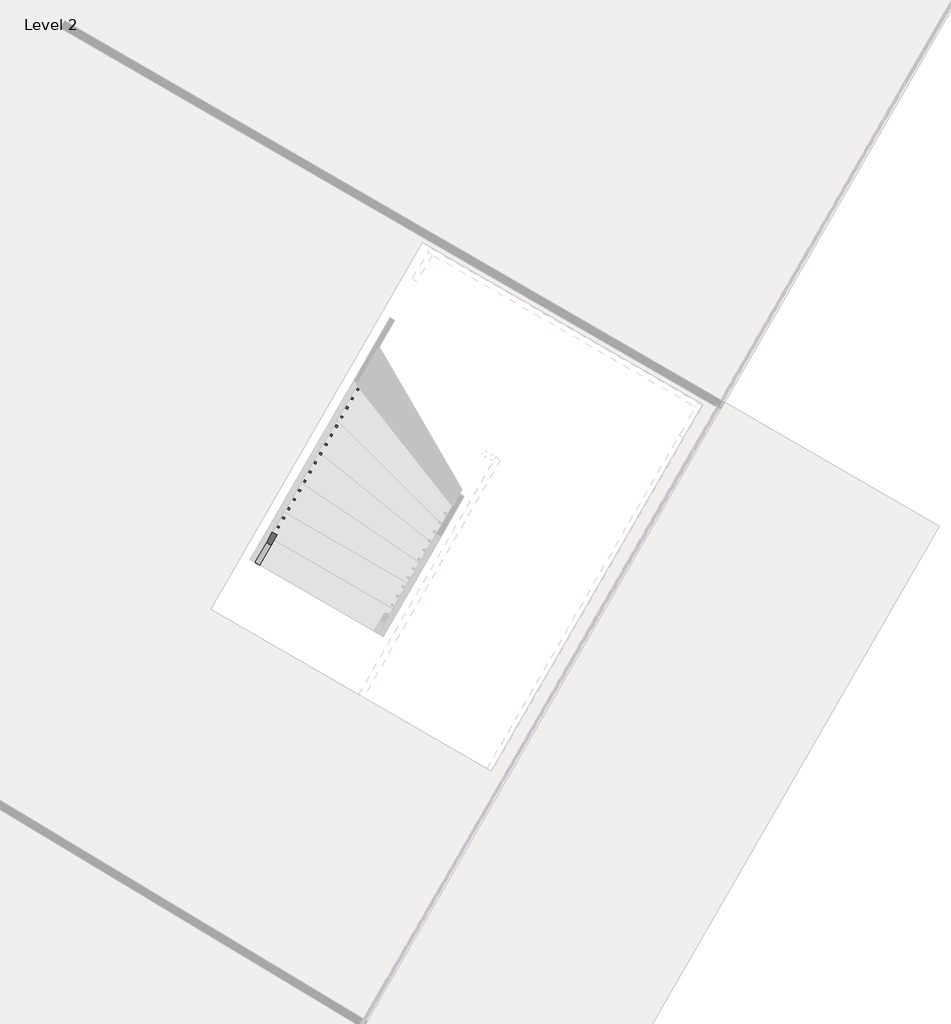
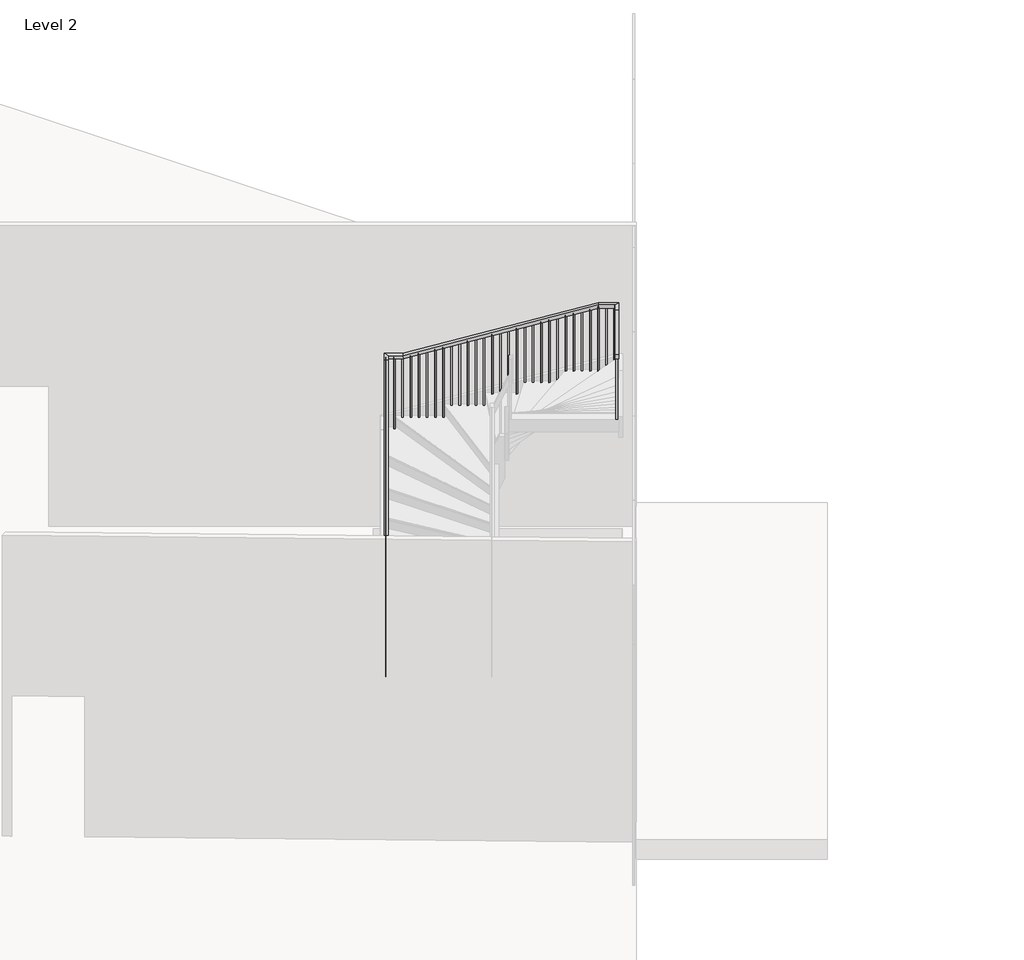
# One storey, part 3 of 5: 1 railing.
"""IFC4 building model written with IfcOpenShell, lengths in millimetres."""

from ifc_helpers import new_model, si_unit, frame, origin, place, context, project, spatial, polyline, outline, extrude, faceted_brep, element, save

model = new_model("IFC4")

# Units and contexts
model_context = context("Model", 3, world=origin())
ifc_project = project(units=[si_unit("LENGTHUNIT", "METRE", prefix="MILLI")], contexts=[model_context])

# Site, building, storey
site = spatial("IfcSite", under=ifc_project)
building = spatial("IfcBuilding", under=site)
storey = spatial("IfcBuildingStorey", under=building, Name="Level 2", Elevation=7620.0)

# Railing
placement = place(None, origin())
element("IfcRailing", 1, ObjectType="Handrail - Rectangular", at=placement, inside=storey, context=model_context, shape_type="SolidModel", body=[
    faceted_brep([(54295.3554538, -117408.8419097, 8710.2461538), (54295.3554538, -117408.8419097, 8653.4945841), (54339.3538093, -117434.2345211, 8653.4945841), (54339.3538093, -117434.2345211, 8710.2461538), (55919.4528111, -114594.7314645, 10328.4336285), (55925.426117, -114584.3813815, 10277.6336285), (55969.4244725, -114609.7739929, 10277.6336285), (55963.4511666, -114620.1240759, 10328.4336285), (55997.1584277, -114460.0891745, 10328.4336285), (55997.1584277, -114460.0891745, 10277.6336285), (56015.7641719, -114529.4801414, 10277.6336285), (56015.7641719, -114529.4801414, 10328.4336285), (56196.5956379, -114575.1896485, 10328.4336285), (56203.3854407, -114579.1082227, 10277.6336285), (56177.9928293, -114623.1065782, 10277.6336285), (56171.2030265, -114619.188004, 10328.4336285), (58305.5331789, -115792.3131245, 11098.2893522), (58312.3229817, -115796.2316988, 11047.4893522), (58286.9303703, -115840.2300543, 11047.4893522), (58280.1405675, -115836.31148, 11098.2893522), (58525.9750192, -115919.5359245, 11098.2893522), (58525.9750192, -115919.5359245, 11047.4893522), (58456.5840523, -115938.1416686, 11047.4893522), (58456.5840523, -115938.1416686, 11098.2893522), (58443.9888374, -116061.5952471, 11098.2893522), (58437.7539841, -116072.3985194, 11047.4893522), (58393.7556285, -116047.005908, 11047.4893522), (58399.9904819, -116036.2026358, 11098.2893522), (56523.2126938, -119389.7677759, 13106.4), (56479.2143382, -119364.3751645, 13106.4), (56479.2143382, -119364.3751645, 13049.0816582), (56523.2126938, -119389.7677759, 13049.0816582)], [[[0, 1, 2, 3]], [[1, 0, 4, 5]], [[2, 1, 5, 6]], [[3, 2, 6, 7]], [[0, 3, 7, 4]], [[5, 4, 8, 9]], [[6, 5, 9, 10]], [[7, 6, 10, 11]], [[4, 7, 11, 8]], [[9, 8, 12, 13]], [[10, 9, 13, 14]], [[11, 10, 14, 15]], [[8, 11, 15, 12]], [[13, 12, 16, 17]], [[14, 13, 17, 18]], [[15, 14, 18, 19]], [[12, 15, 19, 16]], [[17, 16, 20, 21]], [[18, 17, 21, 22]], [[19, 18, 22, 23]], [[16, 19, 23, 20]], [[21, 20, 24, 25]], [[22, 21, 25, 26]], [[23, 22, 26, 27]], [[20, 23, 27, 24]], [[28, 29, 30, 31]], [[25, 24, 28, 31]], [[26, 25, 31, 30]], [[27, 26, 30, 29]], [[24, 27, 29, 28]]]),
    extrude(outline(polyline([(223.6224054, 19.05), (1251.6561526, 19.05), (1251.6561526, 0.0), (233.5775947, 0.0), (223.6224054, 19.05)])), frame((56523.6666546, -119357.2219492, 13267.8099988), z_axis=(-0.8661093604012479, 0.4998545546709976, 0.0), x_axis=(0.0, 0.0, -1.0)), (0.0, 0.0, 1.0), 19.05),
    extrude(outline(polyline([(223.6224054, 19.05), (1198.56181, 19.05), (1198.56181, 0.0), (233.5775946, 0.0), (223.6224054, 19.05)])), frame((56574.4518773, -119269.2252382, 13214.7156562), z_axis=(-0.8661093604012479, 0.4998545546709976, 0.0), x_axis=(0.0, 0.0, -1.0)), (0.0, 0.0, 1.0), 19.05),
    extrude(outline(polyline([(223.6224054, 19.0500001), (1145.4674674, 19.0500001), (1145.4674674, 0.0), (233.5775946, 0.0), (223.6224054, 19.0500001)])), frame((56625.2371001, -119181.2285271, 13161.6213136), z_axis=(-0.8661093604012479, 0.4998545546709976, 0.0), x_axis=(0.0, 0.0, -1.0)), (0.0, 0.0, 1.0), 19.05),
    extrude(outline(polyline([(223.6224053, 19.05), (1268.2192787, 19.05), (1268.2192787, 0.0), (233.5775946, 0.0), (223.6224053, 19.05)])), frame((56676.0223229, -119093.2318161, 13108.526971), z_axis=(-0.8661093604012479, 0.4998545546709976, 0.0), x_axis=(0.0, 0.0, -1.0)), (0.0, 0.0, 1.0), 19.05),
    extrude(outline(polyline([(223.6224054, 19.05), (1215.1249362, 19.05), (1215.1249362, 0.0), (233.5775946, 0.0), (223.6224054, 19.05)])), frame((56726.8075456, -119005.2351051, 13055.4326285), z_axis=(-0.8661093604012479, 0.4998545546709976, 0.0), x_axis=(0.0, 0.0, -1.0)), (0.0, 0.0, 1.0), 19.05),
    extrude(outline(polyline([(223.6224054, 19.05), (1162.0305936, 19.05), (1162.0305936, 0.0), (233.5775946, 0.0), (223.6224054, 19.05)])), frame((56777.5927684, -118917.2383941, 13002.3382859), z_axis=(-0.8661093604012479, 0.4998545546709976, 0.0), x_axis=(0.0, 0.0, -1.0)), (0.0, 0.0, 1.0), 19.05),
    extrude(outline(polyline([(223.6224053, 19.05), (1284.7824048, 19.05), (1284.7824048, 0.0), (233.5775946, 0.0), (223.6224053, 19.05)])), frame((56828.3779911, -118829.2416831, 12949.2439433), z_axis=(-0.8661093604012479, 0.4998545546709976, 0.0), x_axis=(0.0, 0.0, -1.0)), (0.0, 0.0, 1.0), 19.05),
    extrude(outline(polyline([(223.6224054, 19.05), (1231.6880623, 19.05), (1231.6880623, 0.0), (233.5775946, 0.0), (223.6224054, 19.05)])), frame((56879.1632139, -118741.2449721, 12896.1496008), z_axis=(-0.8661093604012479, 0.4998545546709976, 0.0), x_axis=(0.0, 0.0, -1.0)), (0.0, 0.0, 1.0), 19.05),
    extrude(outline(polyline([(223.6224054, 19.05), (1178.5937197, 19.05), (1178.5937197, 0.0), (233.5775946, 0.0), (223.6224054, 19.05)])), frame((56929.9484366, -118653.248261, 12843.0552582), z_axis=(-0.8661093604012479, 0.4998545546709976, 0.0), x_axis=(0.0, 0.0, -1.0)), (0.0, 0.0, 1.0), 19.05),
    extrude(outline(polyline([(223.6224053, 19.05), (1301.345531, 19.05), (1301.345531, 0.0), (233.5775946, 0.0), (223.6224053, 19.05)])), frame((56980.7336594, -118565.25155, 12789.9609156), z_axis=(-0.8661093604012479, 0.4998545546709976, 0.0), x_axis=(0.0, 0.0, -1.0)), (0.0, 0.0, 1.0), 19.05),
    extrude(outline(polyline([(223.6224054, 19.05), (1248.2511885, 19.05), (1248.2511885, 0.0), (233.5775946, 0.0), (223.6224054, 19.05)])), frame((57031.5188821, -118477.254839, 12736.8665731), z_axis=(-0.8661093604012479, 0.4998545546709976, 0.0), x_axis=(0.0, 0.0, -1.0)), (0.0, 0.0, 1.0), 19.05),
    extrude(outline(polyline([(223.6224054, 19.05), (1195.1568459, 19.05), (1195.1568459, 0.0), (233.5775946, 0.0), (223.6224054, 19.05)])), frame((57082.3041049, -118389.258128, 12683.7722305), z_axis=(-0.8661093604012479, 0.4998545546709976, 0.0), x_axis=(0.0, 0.0, -1.0)), (0.0, 0.0, 1.0), 19.05),
    extrude(outline(polyline([(223.6224053, 19.05), (1317.9086571, 19.05), (1317.9086571, 0.0), (233.5775946, 0.0), (223.6224053, 19.05)])), frame((57133.0893276, -118301.261417, 12630.6778879), z_axis=(-0.8661093604012479, 0.4998545546709976, 0.0), x_axis=(0.0, 0.0, -1.0)), (0.0, 0.0, 1.0), 19.05),
    extrude(outline(polyline([(223.6224054, 19.05), (1264.8143146, 19.05), (1264.8143146, 0.0), (233.5775946, 0.0), (223.6224054, 19.05)])), frame((57183.8745504, -118213.264706, 12577.5835454), z_axis=(-0.8661093604012479, 0.4998545546709976, 0.0), x_axis=(0.0, 0.0, -1.0)), (0.0, 0.0, 1.0), 19.05),
    extrude(outline(polyline([(223.6224054, 19.0500001), (1211.719972, 19.0500001), (1211.719972, 0.0), (233.5775946, 0.0), (223.6224054, 19.0500001)])), frame((57234.6597732, -118125.2679949, 12524.4892028), z_axis=(-0.8661093604012479, 0.4998545546709976, 0.0), x_axis=(0.0, 0.0, -1.0)), (0.0, 0.0, 1.0), 19.05),
    extrude(outline(polyline([(223.6224053, 19.05), (1334.4717833, 19.05), (1334.4717833, 0.0), (233.5775946, 0.0), (223.6224053, 19.05)])), frame((57285.4449959, -118037.2712839, 12471.3948602), z_axis=(-0.8661093604012479, 0.4998545546709976, 0.0), x_axis=(0.0, 0.0, -1.0)), (0.0, 0.0, 1.0), 19.05),
    extrude(outline(polyline([(223.6224054, 19.05), (1281.3774408, 19.05), (1281.3774408, 0.0), (233.5775946, 0.0), (223.6224054, 19.05)])), frame((57336.2302187, -117949.2745729, 12418.3005177), z_axis=(-0.8661093604012479, 0.4998545546709976, 0.0), x_axis=(0.0, 0.0, -1.0)), (0.0, 0.0, 1.0), 19.05),
    extrude(outline(polyline([(223.6224054, 19.05), (1228.2830982, 19.05), (1228.2830982, 0.0), (233.5775946, 0.0), (223.6224054, 19.05)])), frame((57387.0154414, -117861.2778619, 12365.2061751), z_axis=(-0.8661093604012479, 0.4998545546709976, 0.0), x_axis=(0.0, 0.0, -1.0)), (0.0, 0.0, 1.0), 19.05),
    extrude(outline(polyline([(223.6224053, 19.05), (1351.0349094, 19.05), (1351.0349094, 0.0), (233.5775946, 0.0), (223.6224053, 19.05)])), frame((57437.8006642, -117773.2811509, 12312.1118325), z_axis=(-0.8661093604012479, 0.4998545546709976, 0.0), x_axis=(0.0, 0.0, -1.0)), (0.0, 0.0, 1.0), 19.05),
    extrude(outline(polyline([(223.6224054, 19.05), (1297.9405669, 19.05), (1297.9405669, 0.0), (233.5775946, 0.0), (223.6224054, 19.05)])), frame((57488.5858869, -117685.2844399, 12259.01749), z_axis=(-0.8661093604012479, 0.4998545546709976, 0.0), x_axis=(0.0, 0.0, -1.0)), (0.0, 0.0, 1.0), 19.05),
    extrude(outline(polyline([(223.6224054, 19.0500001), (1244.8462243, 19.0500001), (1244.8462243, 0.0), (233.5775946, 0.0), (223.6224054, 19.0500001)])), frame((57539.3711097, -117597.2877288, 12205.9231474), z_axis=(-0.8661093604012479, 0.4998545546709976, 0.0), x_axis=(0.0, 0.0, -1.0)), (0.0, 0.0, 1.0), 19.05),
    extrude(outline(polyline([(223.6224053, 19.05), (1191.7518817, 19.05), (1191.7518817, 0.0), (233.5775946, 0.0), (223.6224053, 19.05)])), frame((57590.1563324, -117509.2910178, 12152.8288048), z_axis=(-0.8661093604012479, 0.4998545546709976, 0.0), x_axis=(0.0, 0.0, -1.0)), (0.0, 0.0, 1.0), 19.05),
    extrude(outline(polyline([(223.6224054, 19.05), (1314.5036931, 19.05), (1314.5036931, 0.0), (233.5775946, 0.0), (223.6224054, 19.05)])), frame((57640.9415552, -117421.2943068, 12099.7344623), z_axis=(-0.8661093604012479, 0.4998545546709976, 0.0), x_axis=(0.0, 0.0, -1.0)), (0.0, 0.0, 1.0), 19.05),
    extrude(outline(polyline([(223.6224054, 19.05), (1261.4093505, 19.05), (1261.4093505, 0.0), (233.5775946, 0.0), (223.6224054, 19.05)])), frame((57691.7267779, -117333.2975958, 12046.6401197), z_axis=(-0.8661093604012479, 0.4998545546709976, 0.0), x_axis=(0.0, 0.0, -1.0)), (0.0, 0.0, 1.0), 19.05),
    extrude(outline(polyline([(223.6224053, 19.05), (1208.3150079, 19.05), (1208.3150079, 0.0), (233.5775946, 0.0), (223.6224053, 19.05)])), frame((57742.5120007, -117245.3008848, 11993.5457771), z_axis=(-0.8661093604012479, 0.4998545546709976, 0.0), x_axis=(0.0, 0.0, -1.0)), (0.0, 0.0, 1.0), 19.05),
    extrude(outline(polyline([(223.6224054, 19.05), (1331.0668192, 19.05), (1331.0668192, 0.0), (233.5775946, 0.0), (223.6224054, 19.05)])), frame((57793.2972235, -117157.3041738, 11940.4514346), z_axis=(-0.8661093604012479, 0.4998545546709976, 0.0), x_axis=(0.0, 0.0, -1.0)), (0.0, 0.0, 1.0), 19.05),
    extrude(outline(polyline([(223.6224054, 19.0500001), (1277.9724766, 19.0500001), (1277.9724766, 0.0), (233.5775946, 0.0), (223.6224054, 19.0500001)])), frame((57844.0824462, -117069.3074627, 11887.357092), z_axis=(-0.8661093604012479, 0.4998545546709976, 0.0), x_axis=(0.0, 0.0, -1.0)), (0.0, 0.0, 1.0), 19.05),
    extrude(outline(polyline([(223.6224053, 19.05), (1224.878134, 19.05), (1224.878134, 0.0), (233.5775946, 0.0), (223.6224053, 19.05)])), frame((57894.867669, -116981.3107517, 11834.2627494), z_axis=(-0.8661093604012479, 0.4998545546709976, 0.0), x_axis=(0.0, 0.0, -1.0)), (0.0, 0.0, 1.0), 19.05),
    extrude(outline(polyline([(223.6224054, 19.05), (1171.7837915, 19.05), (1171.7837915, 0.0), (233.5775946, 0.0), (223.6224054, 19.05)])), frame((57945.6528917, -116893.3140407, 11781.1684069), z_axis=(-0.8661093604012479, 0.4998545546709976, 0.0), x_axis=(0.0, 0.0, -1.0)), (0.0, 0.0, 1.0), 19.05),
    extrude(outline(polyline([(223.6224054, 19.05), (1294.5356028, 19.05), (1294.5356028, 0.0), (233.5775946, 0.0), (223.6224054, 19.05)])), frame((57996.4381145, -116805.3173297, 11728.0740643), z_axis=(-0.8661093604012479, 0.4998545546709976, 0.0), x_axis=(0.0, 0.0, -1.0)), (0.0, 0.0, 1.0), 19.05),
    extrude(outline(polyline([(223.6224053, 19.05), (1241.4412602, 19.05), (1241.4412602, 0.0), (233.5775946, 0.0), (223.6224053, 19.05)])), frame((58047.2233372, -116717.3206187, 11674.9797217), z_axis=(-0.8661093604012479, 0.4998545546709976, 0.0), x_axis=(0.0, 0.0, -1.0)), (0.0, 0.0, 1.0), 19.05),
    extrude(outline(polyline([(223.6224054, 19.05), (1188.3469177, 19.05), (1188.3469177, 0.0), (233.5775946, 0.0), (223.6224054, 19.05)])), frame((58098.00856, -116629.3239077, 11621.8853792), z_axis=(-0.8661093604012479, 0.4998545546709976, 0.0), x_axis=(0.0, 0.0, -1.0)), (0.0, 0.0, 1.0), 19.05),
    extrude(outline(polyline([(223.6224054, 19.05), (1135.2525751, 19.05), (1135.2525751, 0.0), (233.5775946, 0.0), (223.6224054, 19.05)])), frame((58148.7937827, -116541.3271966, 11568.7910366), z_axis=(-0.8661093604012479, 0.4998545546709976, 0.0), x_axis=(0.0, 0.0, -1.0)), (0.0, 0.0, 1.0), 19.05),
    extrude(outline(polyline([(223.6224053, 19.05), (1258.0043863, 19.05), (1258.0043863, 0.0), (233.5775946, 0.0), (223.6224053, 19.05)])), frame((58199.5790055, -116453.3304856, 11515.696694), z_axis=(-0.8661093604012479, 0.4998545546709976, 0.0), x_axis=(0.0, 0.0, -1.0)), (0.0, 0.0, 1.0), 19.05),
    extrude(outline(polyline([(223.6224054, 19.05), (1204.9100438, 19.05), (1204.9100438, 0.0), (233.5775946, 0.0), (223.6224054, 19.05)])), frame((58250.3642282, -116365.3337746, 11462.6023515), z_axis=(-0.8661093604012479, 0.4998545546709976, 0.0), x_axis=(0.0, 0.0, -1.0)), (0.0, 0.0, 1.0), 19.05),
    extrude(outline(polyline([(223.6224054, 19.05), (1151.8157012, 19.05), (1151.8157012, 0.0), (233.5775946, 0.0), (223.6224054, 19.05)])), frame((58301.149451, -116277.3370636, 11409.5080089), z_axis=(-0.8661093604012479, 0.4998545546709976, 0.0), x_axis=(0.0, 0.0, -1.0)), (0.0, 0.0, 1.0), 19.05),
    extrude(outline(polyline([(223.6224053, 19.05), (1098.7213586, 19.05), (1098.7213586, 0.0), (233.5775946, 0.0), (223.6224053, 19.05)])), frame((58351.9346738, -116189.3403526, 11356.4136663), z_axis=(-0.8661093604012479, 0.4998545546709976, 0.0), x_axis=(0.0, 0.0, -1.0)), (0.0, 0.0, 1.0), 19.05),
    extrude(outline(polyline([(223.6224054, 19.05), (1045.6270161, 19.05), (1045.6270161, 0.0), (233.5775946, 0.0), (223.6224054, 19.05)])), frame((58402.7198965, -116101.3436416, 11303.3193238), z_axis=(-0.8661093604012479, 0.4998545546709976, 0.0), x_axis=(0.0, 0.0, -1.0)), (0.0, 0.0, 1.0), 19.05),
    extrude(outline(polyline([(58453.5051193, -116013.3469305), (58443.98289, -116029.8463139), (58427.4835067, -116020.3240846), (58437.0057359, -116003.8247013), (58453.5051193, -116013.3469305)])), frame((0.0, 0.0, 10257.6923077), z_axis=(0.0, 0.0, 1.0), x_axis=(1.0, 0.0, 0.0)), (0.0, 0.0, 1.0), 789.7970445),
    extrude(outline(polyline([(58466.8806313, -115903.7600888), (58483.3800146, -115913.2823181), (58473.8577853, -115929.7817014), (58457.358402, -115920.2594721), (58466.8806313, -115903.7600888)])), frame((0.0, 0.0, 10081.8461538), z_axis=(0.0, 0.0, 1.0), x_axis=(1.0, 0.0, 0.0)), (0.0, 0.0, 1.0), 965.6431983),
    extrude(outline(polyline([(58378.8839202, -115852.974866), (58395.3833036, -115862.4970953), (58385.8610743, -115878.9964786), (58369.361691, -115869.4742494), (58378.8839202, -115852.974866)])), frame((0.0, 0.0, 10081.8461538), z_axis=(0.0, 0.0, 1.0), x_axis=(1.0, 0.0, 0.0)), (0.0, 0.0, 1.0), 965.6431983),
    extrude(outline(polyline([(58290.8872092, -115802.1896433), (58307.3865925, -115811.7118726), (58297.8643633, -115828.2112559), (58281.36498, -115818.6890266), (58290.8872092, -115802.1896433)])), frame((0.0, 0.0, 10081.8461538), z_axis=(0.0, 0.0, 1.0), x_axis=(1.0, 0.0, 0.0)), (0.0, 0.0, 1.0), 965.6431983),
    extrude(outline(polyline([(231.6115033, 19.05), (1160.203689, 19.05), (1160.203689, 0.0), (225.5884967, 0.0), (231.6115033, 19.05)])), frame((58209.8676523, -115777.4260331, 11242.0498428), z_axis=(0.49985455467099926, 0.866109360401247, 0.0), x_axis=(0.0, 0.0, -1.0)), (0.0, 0.0, 1.0), 19.05),
    extrude(outline(polyline([(231.6115033, 19.05), (1128.0809873, 19.05), (1128.0809873, 0.0), (225.5884967, 0.0), (231.6115033, 19.05)])), frame((58121.8709412, -115726.6408104, 11209.9271411), z_axis=(0.49985455467099926, 0.866109360401247, 0.0), x_axis=(0.0, 0.0, -1.0)), (0.0, 0.0, 1.0), 19.05),
    extrude(outline(polyline([(231.6115033, 19.05), (1095.9582855, 19.05), (1095.9582855, 0.0), (225.5884967, 0.0), (231.6115033, 19.05)])), frame((58033.8742302, -115675.8555876, 11177.8044393), z_axis=(0.49985455467099926, 0.866109360401247, 0.0), x_axis=(0.0, 0.0, -1.0)), (0.0, 0.0, 1.0), 19.05),
    extrude(outline(polyline([(231.6115033, 19.05), (1063.8355838, 19.05), (1063.8355838, 0.0), (225.5884967, 0.0), (231.6115033, 19.05)])), frame((57945.8775192, -115625.0703649, 11145.6817376), z_axis=(0.49985455467099926, 0.866109360401247, 0.0), x_axis=(0.0, 0.0, -1.0)), (0.0, 0.0, 1.0), 19.05),
    extrude(outline(polyline([(231.6115033, 19.05), (1207.5590358, 19.05), (1207.5590358, 0.0), (225.5884967, 0.0), (231.6115033, 19.05)])), frame((57857.8808082, -115574.2851421, 11113.5590358), z_axis=(0.49985455467099926, 0.866109360401247, 0.0), x_axis=(0.0, 0.0, -1.0)), (0.0, 0.0, 1.0), 19.05),
    extrude(outline(polyline([(231.6115033, 19.05), (1175.4363341, 19.05), (1175.4363341, 0.0), (225.5884967, 0.0), (231.6115033, 19.05)])), frame((57769.8840972, -115523.4999193, 11081.4363341), z_axis=(0.49985455467099926, 0.866109360401247, 0.0), x_axis=(0.0, 0.0, -1.0)), (0.0, 0.0, 1.0), 19.05),
    extrude(outline(polyline([(231.6115033, 19.0500001), (1143.3136323, 19.0500001), (1143.3136323, 0.0), (225.5884967, 0.0), (231.6115033, 19.0500001)])), frame((57681.8873862, -115472.7146966, 11049.3136323), z_axis=(0.49985455467099926, 0.866109360401247, 0.0), x_axis=(0.0, 0.0, -1.0)), (0.0, 0.0, 1.0), 19.05),
    extrude(outline(polyline([(231.6115033, 19.05), (1111.1909306, 19.05), (1111.1909306, 0.0), (225.5884967, 0.0), (231.6115033, 19.05)])), frame((57593.8906751, -115421.9294738, 11017.1909306), z_axis=(0.49985455467099926, 0.866109360401247, 0.0), x_axis=(0.0, 0.0, -1.0)), (0.0, 0.0, 1.0), 19.05),
    extrude(outline(polyline([(231.6115033, 19.05), (1079.0682288, 19.05), (1079.0682288, 0.0), (225.5884967, 0.0), (231.6115033, 19.05)])), frame((57505.8939641, -115371.1442511, 10985.0682288), z_axis=(0.49985455467099926, 0.866109360401247, 0.0), x_axis=(0.0, 0.0, -1.0)), (0.0, 0.0, 1.0), 19.05),
    extrude(outline(polyline([(231.6115033, 19.05), (1222.7916809, 19.05), (1222.7916809, 0.0), (225.5884967, 0.0), (231.6115033, 19.05)])), frame((57417.8972531, -115320.3590283, 10952.9455271), z_axis=(0.49985455467099926, 0.866109360401247, 0.0), x_axis=(0.0, 0.0, -1.0)), (0.0, 0.0, 1.0), 19.05),
    extrude(outline(polyline([(231.6115033, 19.05), (1190.6689791, 19.05), (1190.6689791, 0.0), (225.5884967, 0.0), (231.6115033, 19.05)])), frame((57329.9005421, -115269.5738056, 10920.8228253), z_axis=(0.49985455467099926, 0.866109360401247, 0.0), x_axis=(0.0, 0.0, -1.0)), (0.0, 0.0, 1.0), 19.05),
    extrude(outline(polyline([(231.6115033, 19.05), (1158.5462774, 19.05), (1158.5462774, 0.0), (225.5884968, 0.0), (231.6115033, 19.05)])), frame((57241.9038311, -115218.7885828, 10888.7001236), z_axis=(0.49985455467099926, 0.866109360401247, 0.0), x_axis=(0.0, 0.0, -1.0)), (0.0, 0.0, 1.0), 19.05),
    extrude(outline(polyline([(231.6115033, 19.0500001), (1126.4235756, 19.0500001), (1126.4235756, 0.0), (225.5884967, 0.0), (231.6115033, 19.0500001)])), frame((57153.9071201, -115168.0033601, 10856.5774218), z_axis=(0.49985455467099926, 0.866109360401247, 0.0), x_axis=(0.0, 0.0, -1.0)), (0.0, 0.0, 1.0), 19.05),
    extrude(outline(polyline([(231.6115033, 19.05), (1270.1470278, 19.05), (1270.1470278, 0.0), (225.5884968, 0.0), (231.6115033, 19.05)])), frame((57065.910409, -115117.2181373, 10824.4547201), z_axis=(0.49985455467099926, 0.866109360401247, 0.0), x_axis=(0.0, 0.0, -1.0)), (0.0, 0.0, 1.0), 19.05),
    extrude(outline(polyline([(231.6115033, 19.05), (1238.024326, 19.05), (1238.024326, 0.0), (225.5884967, 0.0), (231.6115033, 19.05)])), frame((56977.913698, -115066.4329146, 10792.3320183), z_axis=(0.49985455467099926, 0.866109360401247, 0.0), x_axis=(0.0, 0.0, -1.0)), (0.0, 0.0, 1.0), 19.05),
    extrude(outline(polyline([(231.6115033, 19.05), (1205.9016243, 19.05), (1205.9016243, 0.0), (225.5884968, 0.0), (231.6115033, 19.05)])), frame((56889.916987, -115015.6476918, 10760.2093166), z_axis=(0.49985455467099926, 0.866109360401247, 0.0), x_axis=(0.0, 0.0, -1.0)), (0.0, 0.0, 1.0), 19.05),
    extrude(outline(polyline([(231.6115033, 19.05), (1173.7789225, 19.05), (1173.7789225, 0.0), (225.5884967, 0.0), (231.6115033, 19.05)])), frame((56801.920276, -114964.862469, 10728.0866148), z_axis=(0.49985455467099926, 0.866109360401247, 0.0), x_axis=(0.0, 0.0, -1.0)), (0.0, 0.0, 1.0), 19.05),
    extrude(outline(polyline([(231.6115033, 19.05), (1141.6562208, 19.05), (1141.6562208, 0.0), (225.5884968, 0.0), (231.6115033, 19.05)])), frame((56713.923565, -114914.0772463, 10695.9639131), z_axis=(0.49985455467099926, 0.866109360401247, 0.0), x_axis=(0.0, 0.0, -1.0)), (0.0, 0.0, 1.0), 19.05),
    extrude(outline(polyline([(231.6115033, 19.05), (1285.3796728, 19.05), (1285.3796728, 0.0), (225.5884967, 0.0), (231.6115033, 19.05)])), frame((56625.926854, -114863.2920235, 10663.8412113), z_axis=(0.49985455467099926, 0.866109360401247, 0.0), x_axis=(0.0, 0.0, -1.0)), (0.0, 0.0, 1.0), 19.05),
    extrude(outline(polyline([(231.6115033, 19.05), (1253.2569711, 19.05), (1253.2569711, 0.0), (225.5884968, 0.0), (231.6115033, 19.05)])), frame((56537.9301429, -114812.5068008, 10631.7185096), z_axis=(0.49985455467099926, 0.866109360401247, 0.0), x_axis=(0.0, 0.0, -1.0)), (0.0, 0.0, 1.0), 19.05),
    extrude(outline(polyline([(231.6115033, 19.05), (1221.1342693, 19.05), (1221.1342693, 0.0), (225.5884967, 0.0), (231.6115033, 19.05)])), frame((56449.9334319, -114761.721578, 10599.5958078), z_axis=(0.49985455467099926, 0.866109360401247, 0.0), x_axis=(0.0, 0.0, -1.0)), (0.0, 0.0, 1.0), 19.05),
    extrude(outline(polyline([(231.6115033, 19.05), (1189.0115676, 19.05), (1189.0115676, 0.0), (225.5884968, 0.0), (231.6115033, 19.05)])), frame((56361.9367209, -114710.9363553, 10567.4731061), z_axis=(0.49985455467099926, 0.866109360401247, 0.0), x_axis=(0.0, 0.0, -1.0)), (0.0, 0.0, 1.0), 19.05),
    extrude(outline(polyline([(231.6115033, 19.05), (1156.8888658, 19.05), (1156.8888658, 0.0), (225.5884967, 0.0), (231.6115033, 19.05)])), frame((56273.9400099, -114660.1511325, 10535.3504043), z_axis=(0.49985455467099926, 0.866109360401247, 0.0), x_axis=(0.0, 0.0, -1.0)), (0.0, 0.0, 1.0), 19.05),
    extrude(outline(polyline([(56178.9661448, -114583.3442972), (56195.4655281, -114592.8665264), (56185.9432989, -114609.3659098), (56169.4439156, -114599.8436805), (56178.9661448, -114583.3442972)])), frame((0.0, 0.0, 9378.4615385), z_axis=(0.0, 0.0, 1.0), x_axis=(1.0, 0.0, 0.0)), (0.0, 0.0, 1.0), 899.17209),
    extrude(outline(polyline([(56090.9694338, -114532.5590744), (56107.4688171, -114542.0813037), (56097.9465879, -114558.580687), (56081.4472045, -114549.0584577), (56090.9694338, -114532.5590744)])), frame((0.0, 0.0, 9202.6153846), z_axis=(0.0, 0.0, 1.0), x_axis=(1.0, 0.0, 0.0)), (0.0, 0.0, 1.0), 1075.0182439),
    extrude(outline(polyline([(55980.2561762, -114521.1353288), (55989.7784055, -114504.6359455), (56006.2777888, -114514.1581748), (55996.7555595, -114530.6575581), (55980.2561762, -114521.1353288)])), frame((0.0, 0.0, 9202.6153846), z_axis=(0.0, 0.0, 1.0), x_axis=(1.0, 0.0, 0.0)), (0.0, 0.0, 1.0), 1075.0182439),
    extrude(outline(polyline([(55929.4709534, -114609.1320398), (55938.9931827, -114592.6326565), (55955.492566, -114602.1548858), (55945.9703368, -114618.6542691), (55929.4709534, -114609.1320398)])), frame((0.0, 0.0, 9202.6153846), z_axis=(0.0, 0.0, 1.0), x_axis=(1.0, 0.0, 0.0)), (0.0, 0.0, 1.0), 1075.0182439),
    extrude(outline(polyline([(233.3437895, 19.05), (1248.0922759, 19.05), (1248.0922759, 0.0), (223.8562104, 0.0), (233.3437895, 19.05)])), frame((55904.7073433, -114690.1515968, 10450.7076605), z_axis=(-0.8661093604012486, 0.4998545546709967, 0.0), x_axis=(0.0, 0.0, -1.0)), (0.0, 0.0, 1.0), 19.05),
    extrude(outline(polyline([(233.3437895, 19.05), (1197.4918541, 19.05), (1197.4918541, 0.0), (223.8562104, 0.0), (233.3437895, 19.05)])), frame((55853.9221205, -114778.1483078, 10400.1072387), z_axis=(-0.8661093604012486, 0.4998545546709967, 0.0), x_axis=(0.0, 0.0, -1.0)), (0.0, 0.0, 1.0), 19.05),
    extrude(outline(polyline([(233.3437895, 19.05), (1146.8914323, 19.05), (1146.8914323, 0.0), (223.8562104, 0.0), (233.3437895, 19.05)])), frame((55803.1368978, -114866.1450189, 10349.5068169), z_axis=(-0.8661093604012486, 0.4998545546709967, 0.0), x_axis=(0.0, 0.0, -1.0)), (0.0, 0.0, 1.0), 19.05),
    extrude(outline(polyline([(233.3437896, 19.05), (1096.2910105, 19.05), (1096.2910105, 0.0), (223.8562105, 0.0), (233.3437896, 19.05)])), frame((55752.351675, -114954.1417299, 10298.9063951), z_axis=(-0.8661093604012486, 0.4998545546709967, 0.0), x_axis=(0.0, 0.0, -1.0)), (0.0, 0.0, 1.0), 19.05),
    extrude(outline(polyline([(233.3437896, 19.05), (1221.5367425, 19.05), (1221.5367425, 0.0), (223.8562105, 0.0), (233.3437896, 19.05)])), frame((55701.5664523, -115042.1384409, 10248.3059733), z_axis=(-0.8661093604012486, 0.4998545546709967, 0.0), x_axis=(0.0, 0.0, -1.0)), (0.0, 0.0, 1.0), 19.05),
    extrude(outline(polyline([(233.3437895, 19.05), (1170.9363206, 19.05), (1170.9363206, 0.0), (223.8562104, 0.0), (233.3437895, 19.05)])), frame((55650.7812295, -115130.1351519, 10197.7055514), z_axis=(-0.8661093604012486, 0.4998545546709967, 0.0), x_axis=(0.0, 0.0, -1.0)), (0.0, 0.0, 1.0), 19.05),
    extrude(outline(polyline([(233.3437895, 19.05), (1120.3358988, 19.05), (1120.3358988, 0.0), (223.8562104, 0.0), (233.3437895, 19.05)])), frame((55599.9960067, -115218.1318629, 10147.1051296), z_axis=(-0.8661093604012486, 0.4998545546709967, 0.0), x_axis=(0.0, 0.0, -1.0)), (0.0, 0.0, 1.0), 19.05),
    extrude(outline(polyline([(233.3437896, 19.0500001), (1069.735477, 19.0500001), (1069.735477, 0.0), (223.8562105, 0.0), (233.3437896, 19.0500001)])), frame((55549.210784, -115306.1285739, 10096.5047078), z_axis=(-0.8661093604012486, 0.4998545546709967, 0.0), x_axis=(0.0, 0.0, -1.0)), (0.0, 0.0, 1.0), 19.05),
    extrude(outline(polyline([(233.3437896, 19.05), (1019.1350552, 19.05), (1019.1350552, 0.0), (223.8562105, 0.0), (233.3437896, 19.05)])), frame((55498.4255612, -115394.125285, 10045.904286), z_axis=(-0.8661093604012486, 0.4998545546709967, 0.0), x_axis=(0.0, 0.0, -1.0)), (0.0, 0.0, 1.0), 19.05),
    extrude(outline(polyline([(233.3437896, 19.05), (1144.3807873, 19.05), (1144.3807873, 0.0), (223.8562105, 0.0), (233.3437896, 19.05)])), frame((55447.6403385, -115482.121996, 9995.3038642), z_axis=(-0.8661093604012486, 0.4998545546709967, 0.0), x_axis=(0.0, 0.0, -1.0)), (0.0, 0.0, 1.0), 19.05),
    extrude(outline(polyline([(233.3437895, 19.05), (1093.7803654, 19.05), (1093.7803654, 0.0), (223.8562104, 0.0), (233.3437895, 19.05)])), frame((55396.8551157, -115570.118707, 9944.7034423), z_axis=(-0.8661093604012486, 0.4998545546709967, 0.0), x_axis=(0.0, 0.0, -1.0)), (0.0, 0.0, 1.0), 19.05),
    extrude(outline(polyline([(233.3437895, 19.05), (1043.1799436, 19.05), (1043.1799436, 0.0), (223.8562104, 0.0), (233.3437895, 19.05)])), frame((55346.069893, -115658.115418, 9894.1030205), z_axis=(-0.8661093604012486, 0.4998545546709967, 0.0), x_axis=(0.0, 0.0, -1.0)), (0.0, 0.0, 1.0), 19.05),
    extrude(outline(polyline([(233.3437896, 19.05), (1168.4256756, 19.05), (1168.4256756, 0.0), (223.8562105, 0.0), (233.3437896, 19.05)])), frame((55295.2846702, -115746.112129, 9843.5025987), z_axis=(-0.8661093604012486, 0.4998545546709967, 0.0), x_axis=(0.0, 0.0, -1.0)), (0.0, 0.0, 1.0), 19.05),
    extrude(outline(polyline([(233.3437896, 19.0500001), (1117.8252538, 19.0500001), (1117.8252538, 0.0), (223.8562105, 0.0), (233.3437896, 19.0500001)])), frame((55244.4994475, -115834.10884, 9792.9021769), z_axis=(-0.8661093604012486, 0.4998545546709967, 0.0), x_axis=(0.0, 0.0, -1.0)), (0.0, 0.0, 1.0), 19.05),
    extrude(outline(polyline([(233.3437895, 19.05), (1067.2248319, 19.05), (1067.2248319, 0.0), (223.8562104, 0.0), (233.3437895, 19.05)])), frame((55193.7142247, -115922.1055511, 9742.301755), z_axis=(-0.8661093604012486, 0.4998545546709967, 0.0), x_axis=(0.0, 0.0, -1.0)), (0.0, 0.0, 1.0), 19.05),
    extrude(outline(polyline([(233.3437895, 19.05), (1016.6244101, 19.05), (1016.6244101, 0.0), (223.8562104, 0.0), (233.3437895, 19.05)])), frame((55142.929002, -116010.1022621, 9691.7013332), z_axis=(-0.8661093604012486, 0.4998545546709967, 0.0), x_axis=(0.0, 0.0, -1.0)), (0.0, 0.0, 1.0), 19.05),
    extrude(outline(polyline([(233.3437895, 19.05), (1141.8701422, 19.05), (1141.8701422, 0.0), (223.8562105, 0.0), (233.3437895, 19.05)])), frame((55092.1437792, -116098.0989731, 9641.1009114), z_axis=(-0.8661093604012486, 0.4998545546709967, 0.0), x_axis=(0.0, 0.0, -1.0)), (0.0, 0.0, 1.0), 19.05),
    extrude(outline(polyline([(233.3437896, 19.05), (1091.2697204, 19.05), (1091.2697204, 0.0), (223.8562105, 0.0), (233.3437896, 19.05)])), frame((55041.3585564, -116186.0956841, 9590.5004896), z_axis=(-0.8661093604012486, 0.4998545546709967, 0.0), x_axis=(0.0, 0.0, -1.0)), (0.0, 0.0, 1.0), 19.05),
    extrude(outline(polyline([(233.3437896, 19.05), (1040.6692986, 19.05), (1040.6692986, 0.0), (223.8562105, 0.0), (233.3437896, 19.05)])), frame((54990.5733337, -116274.0923951, 9539.9000678), z_axis=(-0.8661093604012486, 0.4998545546709967, 0.0), x_axis=(0.0, 0.0, -1.0)), (0.0, 0.0, 1.0), 19.05),
    extrude(outline(polyline([(233.3437895, 19.05), (1165.9150305, 19.05), (1165.9150305, 0.0), (223.8562104, 0.0), (233.3437895, 19.05)])), frame((54939.7881109, -116362.0891061, 9489.2996459), z_axis=(-0.8661093604012486, 0.4998545546709967, 0.0), x_axis=(0.0, 0.0, -1.0)), (0.0, 0.0, 1.0), 19.05),
    extrude(outline(polyline([(233.3437895, 19.05), (1115.3146087, 19.05), (1115.3146087, 0.0), (223.8562104, 0.0), (233.3437895, 19.05)])), frame((54889.0028882, -116450.0858172, 9438.6992241), z_axis=(-0.8661093604012486, 0.4998545546709967, 0.0), x_axis=(0.0, 0.0, -1.0)), (0.0, 0.0, 1.0), 19.05),
    extrude(outline(polyline([(233.3437896, 19.05), (1064.7141869, 19.05), (1064.7141869, 0.0), (223.8562105, 0.0), (233.3437896, 19.05)])), frame((54838.2176654, -116538.0825282, 9388.0988023), z_axis=(-0.8661093604012486, 0.4998545546709967, 0.0), x_axis=(0.0, 0.0, -1.0)), (0.0, 0.0, 1.0), 19.05),
    extrude(outline(polyline([(233.3437896, 19.05), (1014.1137651, 19.05), (1014.1137651, 0.0), (223.8562105, 0.0), (233.3437896, 19.05)])), frame((54787.4324427, -116626.0792392, 9337.4983805), z_axis=(-0.8661093604012486, 0.4998545546709967, 0.0), x_axis=(0.0, 0.0, -1.0)), (0.0, 0.0, 1.0), 19.05),
    extrude(outline(polyline([(233.3437895, 19.05), (1139.3594971, 19.05), (1139.3594971, 0.0), (223.8562104, 0.0), (233.3437895, 19.05)])), frame((54736.6472199, -116714.0759502, 9286.8979586), z_axis=(-0.8661093604012486, 0.4998545546709967, 0.0), x_axis=(0.0, 0.0, -1.0)), (0.0, 0.0, 1.0), 19.05),
    extrude(outline(polyline([(233.3437895, 19.05), (1088.7590753, 19.05), (1088.7590753, 0.0), (223.8562104, 0.0), (233.3437895, 19.05)])), frame((54685.8619972, -116802.0726612, 9236.2975368), z_axis=(-0.8661093604012486, 0.4998545546709967, 0.0), x_axis=(0.0, 0.0, -1.0)), (0.0, 0.0, 1.0), 19.05),
    extrude(outline(polyline([(233.3437895, 19.0500001), (1038.1586535, 19.0500001), (1038.1586535, 0.0), (223.8562105, 0.0), (233.3437895, 19.0500001)])), frame((54635.0767744, -116890.0693722, 9185.697115), z_axis=(-0.8661093604012486, 0.4998545546709967, 0.0), x_axis=(0.0, 0.0, -1.0)), (0.0, 0.0, 1.0), 19.05),
    extrude(outline(polyline([(233.3437896, 19.05), (1163.4043855, 19.05), (1163.4043855, 0.0), (223.8562105, 0.0), (233.3437896, 19.05)])), frame((54584.2915517, -116978.0660833, 9135.0966932), z_axis=(-0.8661093604012486, 0.4998545546709967, 0.0), x_axis=(0.0, 0.0, -1.0)), (0.0, 0.0, 1.0), 19.05),
    extrude(outline(polyline([(233.3437896, 19.05), (1112.8039637, 19.05), (1112.8039637, 0.0), (223.8562105, 0.0), (233.3437896, 19.05)])), frame((54533.5063289, -117066.0627943, 9084.4962714), z_axis=(-0.8661093604012486, 0.4998545546709967, 0.0), x_axis=(0.0, 0.0, -1.0)), (0.0, 0.0, 1.0), 19.05),
    extrude(outline(polyline([(233.3437895, 19.05), (1062.2035418, 19.05), (1062.2035418, 0.0), (223.8562104, 0.0), (233.3437895, 19.05)])), frame((54482.7211061, -117154.0595053, 9033.8958495), z_axis=(-0.8661093604012486, 0.4998545546709967, 0.0), x_axis=(0.0, 0.0, -1.0)), (0.0, 0.0, 1.0), 19.05),
    extrude(outline(polyline([(233.3437895, 19.05), (1187.4492739, 19.05), (1187.4492739, 0.0), (223.8562104, 0.0), (233.3437895, 19.05)])), frame((54431.9358834, -117242.0562163, 8983.2954277), z_axis=(-0.8661093604012486, 0.4998545546709967, 0.0), x_axis=(0.0, 0.0, -1.0)), (0.0, 0.0, 1.0), 19.05),
    extrude(outline(polyline([(233.3437896, 19.05), (1136.8488521, 19.05), (1136.8488521, 0.0), (223.8562105, 0.0), (233.3437896, 19.05)])), frame((54381.1506606, -117330.0529273, 8932.6950059), z_axis=(-0.8661093604012486, 0.4998545546709967, 0.0), x_axis=(0.0, 0.0, -1.0)), (0.0, 0.0, 1.0), 19.05),
    extrude(outline(polyline([(58487.7909587, -115915.8279903), (58504.290342, -115925.3502195), (58494.7681127, -115941.8496028), (58478.2687294, -115932.3273736), (58487.7909587, -115915.8279903)])), frame((0.0, 0.0, 10256.329724), z_axis=(0.0, 0.0, 1.0), x_axis=(1.0, 0.0, 0.0)), (0.0, 0.0, 1.0), 791.1596282),
    extrude(outline(polyline([(55993.4504935, -114498.273235), (56002.9727228, -114481.7738517), (56019.4721061, -114491.2960809), (56009.9498768, -114507.7954643), (55993.4504935, -114498.273235)])), frame((0.0, 0.0, 9202.6153846), z_axis=(0.0, 0.0, 1.0), x_axis=(1.0, 0.0, 0.0)), (0.0, 0.0, 1.0), 1075.0182439),
    extrude(outline(polyline([(223.6224054, 19.05), (1256.5502174, 19.05), (1256.5502174, 0.0), (233.5775946, 0.0), (223.6224054, 19.05)])), frame((56518.9854369, -119365.3332015, 13272.7040636), z_axis=(-0.8661093604012479, 0.4998545546709976, 0.0), x_axis=(0.0, 0.0, -1.0)), (0.0, 0.0, 1.0), 19.05),
    extrude(outline(polyline([(233.3437895, 19.05), (1090.9922198, 19.05), (1090.9922198, 0.0), (223.8562104, 0.0), (233.3437895, 19.05)])), frame((54335.1265525, -117409.7999467, 8886.8383736), z_axis=(-0.8661093604012486, 0.4998545546709967, 0.0), x_axis=(0.0, 0.0, -1.0)), (0.0, 0.0, 1.0), 19.05),
])

save(model, "model.ifc")
